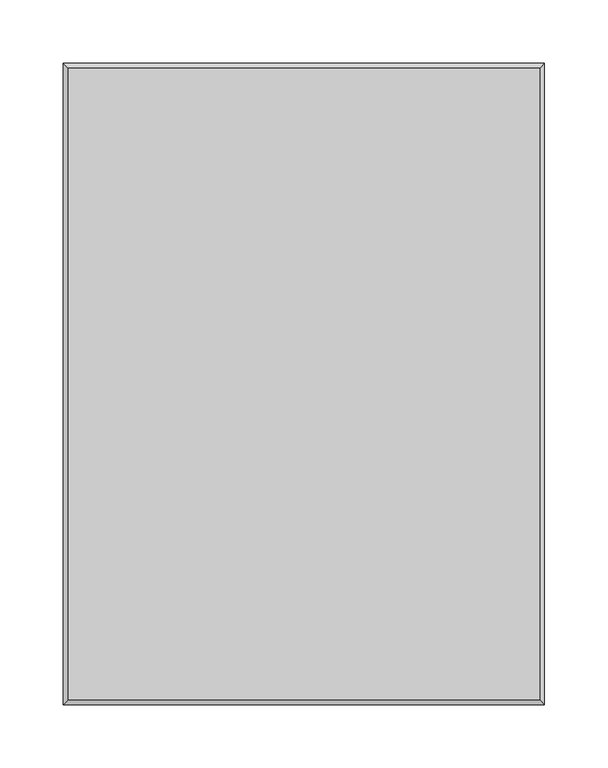
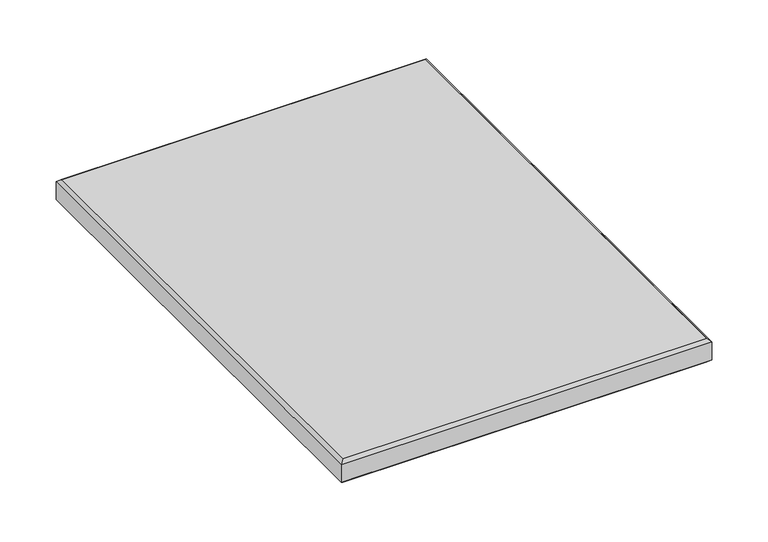
"""IFC4 building model written with IfcOpenShell, lengths in millimetres: furniture geometry."""

from ifc_helpers import new_model, si_unit, origin, origin_with_axes, place, context, project, spatial, polyline, outline, extrude, faceted_brep, source, transform, mapped, element, save


def furniture_c780f6dd(model_context):
    return source(origin(), model_context, "Body", "SolidModel", [
        faceted_brep([(375.5389961, 501.6500121, 1.22e-05), (375.5389961, 501.6500121, 25.4000008), (3.1750001, 501.6500121, 25.4000008), (3.1750001, 501.6500121, 1.22e-05), (378.7184383, 504.8294543, 3.1794544), (-0.004442, 504.8294543, 3.1794544), (378.7184383, 504.8294543, 22.2205586), (-0.004442, 504.8294543, 22.2205586), (3.1750001, 3.1750001, 25.4000008), (3.1750001, 3.1750001, 1.22e-05), (-0.004442, -0.004442, 3.1794544), (-0.004442, -0.004442, 22.2205586), (375.5389961, 3.1750001, 25.4000008), (375.5389961, 3.1750001, 1.22e-05), (378.7184383, -0.004442, 3.1794544), (378.7184383, -0.004442, 22.2205586)], [[[0, 1, 2, 3]], [[4, 0, 3, 5]], [[6, 4, 5, 7]], [[1, 6, 7, 2]], [[3, 2, 8, 9]], [[5, 3, 9, 10]], [[7, 5, 10, 11]], [[2, 7, 11, 8]], [[9, 8, 12, 13]], [[10, 9, 13, 14]], [[11, 10, 14, 15]], [[8, 11, 15, 12]], [[13, 12, 1, 0]], [[14, 13, 0, 4]], [[15, 14, 4, 6]], [[12, 15, 6, 1]]]),
        extrude(outline(polyline([(375.5389961, 501.6500121), (375.5389961, 3.1750001), (3.1750001, 3.1750001), (3.1750001, 501.6500121), (375.5389961, 501.6500121)])), origin_with_axes(), (0.0, 0.0, 1.0), 25.4000008),
    ])


if __name__ == "__main__":
    model = new_model("IFC4")
    model_context = context("Model", 3, world=origin())
    ifc_project = project(units=[si_unit("LENGTHUNIT", "METRE", prefix="MILLI")], contexts=[model_context])
    site = spatial("IfcSite", under=ifc_project)
    building = spatial("IfcBuilding", under=site)
    placement = place(None, origin())
    furniture_shape = furniture_c780f6dd(model_context)
    element("IfcFurniture", 1, at=placement, inside=building, context=model_context, shape_type="MappedRepresentation", body=[
        mapped(furniture_shape, transform((0.0, 0.0, 0.0), x_axis=(1.0, 0.0, 0.0), y_axis=(0.0, 1.0, 0.0), z_axis=(0.0, 0.0, 1.0))),
    ])
    save(model, "model.ifc")
